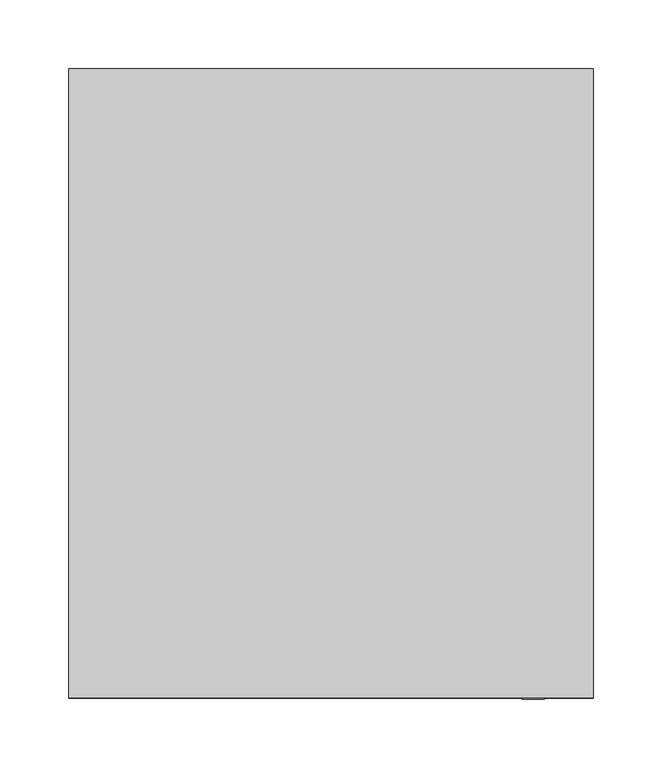
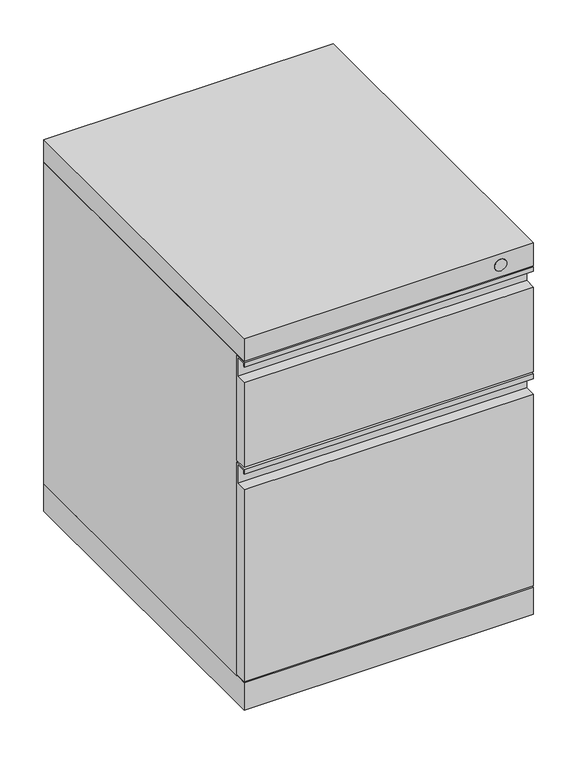
"""IFC4 building model written with IfcOpenShell, lengths in millimetres: furniture geometry."""

from ifc_helpers import new_model, si_unit, point, frame, frame_2d, origin, place, context, project, spatial, polyline, circle_curve, trimmed, segment, composite_curve, outline, extrude, source, transform, mapped, element, save


def furniture_d9323ec9(model_context):
    return source(origin(), model_context, "Body", "SweptSolid", [
        extrude(outline(composite_curve([segment(trimmed(circle_curve(frame_2d((-152.4, 25.0009829)), 25.0009829), [point((-128.1176, 19.05))], [point((-176.6824, 19.05))], False, "CARTESIAN"), True, "CONTINUOUS"), segment(polyline([(-176.6824, 19.05), (-128.1176, 19.05)]), True, "CONTINUOUS")], self_intersect=False)), frame((-136.525, 0.0, 0.0), z_axis=(1.0, 0.0, 0.0), x_axis=(0.0, 1.0, 0.0)), (0.0, 0.0, 1.0), 15.875),
        extrude(outline(composite_curve([segment(polyline([(-176.6824, 19.05), (-128.1176, 19.05)]), True, "CONTINUOUS"), segment(trimmed(circle_curve(frame_2d((-152.4, 25.0009829)), 25.0009829), [point((-128.1176, 19.05))], [point((-176.6824, 19.05))], False, "CARTESIAN"), True, "CONTINUOUS")], self_intersect=False)), frame((-107.95, 0.0, 0.0), z_axis=(1.0, 0.0, 0.0), x_axis=(0.0, 1.0, 0.0)), (0.0, 0.0, 1.0), 15.875),
        extrude(outline(composite_curve([segment(trimmed(circle_curve(frame_2d((-152.4, 25.0009829)), 25.0009829), [point((-128.1176, 19.05))], [point((-176.6824, 19.05))], False, "CARTESIAN"), True, "CONTINUOUS"), segment(polyline([(-176.6824, 19.05), (-128.1176, 19.05)]), True, "CONTINUOUS")], self_intersect=False)), frame((92.075, 0.0, 0.0), z_axis=(1.0, 0.0, 0.0), x_axis=(0.0, 1.0, 0.0)), (0.0, 0.0, 1.0), 15.875),
        extrude(outline(composite_curve([segment(polyline([(-176.6824, 19.05), (-128.1176, 19.05)]), True, "CONTINUOUS"), segment(trimmed(circle_curve(frame_2d((-152.4, 25.0009829)), 25.0009829), [point((-128.1176, 19.05))], [point((-176.6824, 19.05))], False, "CARTESIAN"), True, "CONTINUOUS")], self_intersect=False)), frame((120.65, 0.0, 0.0), z_axis=(1.0, 0.0, 0.0), x_axis=(0.0, 1.0, 0.0)), (0.0, 0.0, 1.0), 15.875),
        extrude(outline(composite_curve([segment(trimmed(circle_curve(frame_2d((152.4, 25.0009829)), 25.0009829), [point((176.6824, 19.05))], [point((128.1176, 19.05))], False, "CARTESIAN"), True, "CONTINUOUS"), segment(polyline([(128.1176, 19.05), (176.6824, 19.05)]), True, "CONTINUOUS")], self_intersect=False)), frame((92.075, 0.0, 0.0), z_axis=(1.0, 0.0, 0.0), x_axis=(0.0, 1.0, 0.0)), (0.0, 0.0, 1.0), 15.875),
        extrude(outline(composite_curve([segment(polyline([(128.1176, 19.05), (176.6824, 19.05)]), True, "CONTINUOUS"), segment(trimmed(circle_curve(frame_2d((152.4, 25.0009829)), 25.0009829), [point((176.6824, 19.05))], [point((128.1176, 19.05))], False, "CARTESIAN"), True, "CONTINUOUS")], self_intersect=False)), frame((120.65, 0.0, 0.0), z_axis=(1.0, 0.0, 0.0), x_axis=(0.0, 1.0, 0.0)), (0.0, 0.0, 1.0), 15.875),
        extrude(outline(composite_curve([segment(trimmed(circle_curve(frame_2d((152.4, 25.0009829)), 25.0009829), [point((176.6824, 19.05))], [point((128.1176, 19.05))], False, "CARTESIAN"), True, "CONTINUOUS"), segment(polyline([(128.1176, 19.05), (176.6824, 19.05)]), True, "CONTINUOUS")], self_intersect=False)), frame((-136.525, 0.0, 0.0), z_axis=(1.0, 0.0, 0.0), x_axis=(0.0, 1.0, 0.0)), (0.0, 0.0, 1.0), 15.875),
        extrude(outline(composite_curve([segment(polyline([(128.1176, 19.05), (176.6824, 19.05)]), True, "CONTINUOUS"), segment(trimmed(circle_curve(frame_2d((152.4, 25.0009829)), 25.0009829), [point((176.6824, 19.05))], [point((128.1176, 19.05))], False, "CARTESIAN"), True, "CONTINUOUS")], self_intersect=False)), frame((-107.95, 0.0, 0.0), z_axis=(1.0, 0.0, 0.0), x_axis=(0.0, 1.0, 0.0)), (0.0, 0.0, 1.0), 15.875),
        extrude(outline(polyline([(-228.6, 325.8439), (-213.4616, 325.8439), (-213.4616, 352.4885), (-227.076, 352.4885), (-227.076, 347.6625), (-228.6, 347.6625), (-228.6, 354.0125), (-211.9376, 354.0125), (-211.9376, 58.7375), (-228.6, 58.7375), (-228.6, 325.8439)])), frame((-190.5, 0.0, 0.0), z_axis=(1.0, 0.0, 0.0), x_axis=(0.0, 1.0, 0.0)), (0.0, 0.0, 1.0), 381.0),
        extrude(outline(polyline([(-228.6, 503.2375), (-211.9376, 503.2375), (-211.9376, 357.1875), (-228.6, 357.1875), (-228.6, 475.0689), (-213.4616, 475.0689), (-213.4616, 501.7135), (-227.076, 501.7135), (-227.076, 496.8875), (-228.6, 496.8875), (-228.6, 503.2375)])), frame((-190.5, 0.0, 0.0), z_axis=(1.0, 0.0, 0.0), x_axis=(0.0, 1.0, 0.0)), (0.0, 0.0, 1.0), 381.0),
        extrude(outline(polyline([(190.5, 228.6), (190.5, -211.9376), (-190.5, -211.9376), (-190.5, 228.6), (190.5, 228.6)])), frame((0.0, 0.0, 57.15), z_axis=(0.0, 0.0, 1.0), x_axis=(1.0, 0.0, 0.0)), (0.0, 0.0, 1.0), 447.675),
        extrude(outline(polyline([(190.5, 228.6), (190.5, -228.6), (-190.5, -228.6), (-190.5, 228.6), (190.5, 228.6)])), frame((0.0, 0.0, 504.825), z_axis=(0.0, 0.0, 1.0), x_axis=(1.0, 0.0, 0.0)), (0.0, 0.0, 1.0), 31.75),
        extrude(outline(polyline([(190.5, 228.6), (190.5, -228.6), (-190.5, -228.6), (-190.5, 228.6), (190.5, 228.6)])), frame((0.0, 0.0, 19.05), z_axis=(0.0, 0.0, 1.0), x_axis=(1.0, 0.0, 0.0)), (0.0, 0.0, 1.0), 38.1),
        extrude(outline(composite_curve([segment(trimmed(circle_curve(frame_2d((521.5255, 146.84248)), 8.001), [point((521.5255, 154.84348))], [point((521.5255, 138.84148))], False, "CARTESIAN"), True, "CONTINUOUS"), segment(trimmed(circle_curve(frame_2d((521.5255, 146.84248)), 8.001), [point((521.5255, 138.84148))], [point((521.5255, 154.84348))], False, "CARTESIAN"), True, "CONTINUOUS")], self_intersect=False)), frame((0.0, -229.39502, 0.0), z_axis=(0.0, 1.0, 0.0), x_axis=(0.0, 0.0, 1.0)), (0.0, 0.0, 1.0), 0.79502),
    ])


if __name__ == "__main__":
    model = new_model("IFC4")
    model_context = context("Model", 3, world=origin())
    ifc_project = project(units=[si_unit("LENGTHUNIT", "METRE", prefix="MILLI")], contexts=[model_context])
    site = spatial("IfcSite", under=ifc_project)
    building = spatial("IfcBuilding", under=site)
    placement = place(None, origin())
    furniture_shape = furniture_d9323ec9(model_context)
    element("IfcFurniture", 1, at=placement, inside=building, context=model_context, shape_type="MappedRepresentation", body=[
        mapped(furniture_shape, transform((0.0, 0.0, 0.0), x_axis=(1.0, 0.0, 0.0), y_axis=(0.0, 1.0, 0.0), z_axis=(0.0, 0.0, 1.0))),
    ])
    save(model, "model.ifc")
